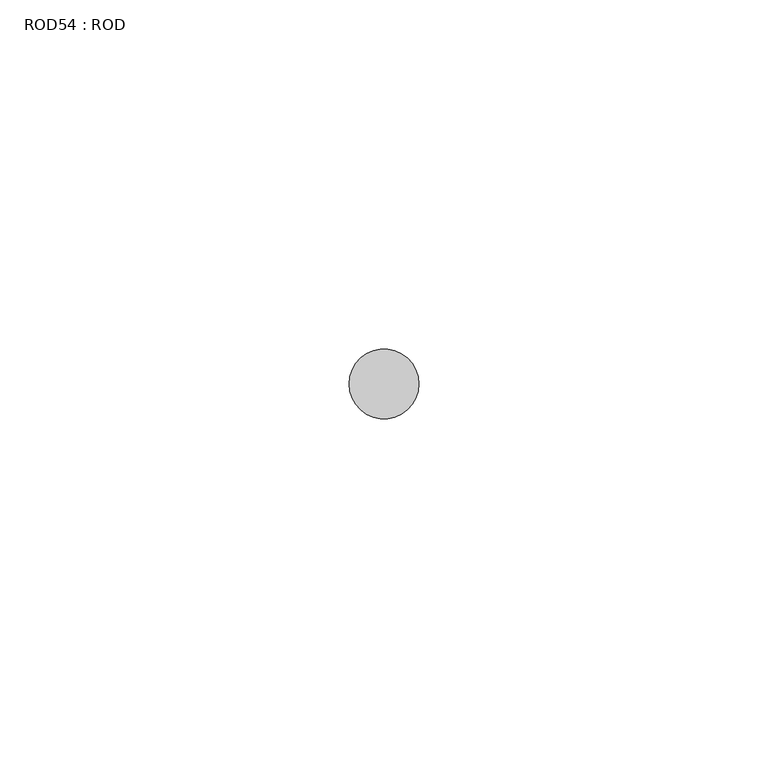
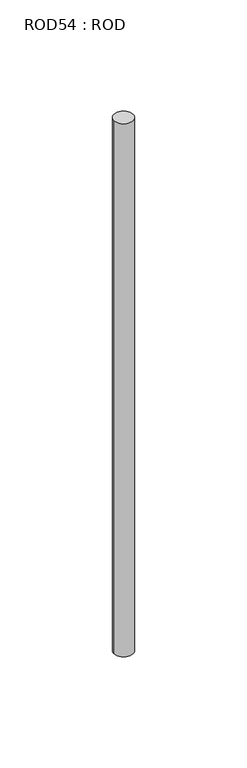
"""IFC4 building model written with IfcOpenShell, lengths in millimetres: proxy geometry, ROD54 : ROD."""

from ifc_helpers import new_model, si_unit, point, frame, frame_2d, origin, place, context, project, spatial, circle_curve, trimmed, segment, composite_curve, outline, extrude, source, transform, mapped, element, save


def rod54_rod_1561af2f(model_context):
    return source(origin(), model_context, "Body", "SweptSolid", [
        extrude(outline(composite_curve([segment(trimmed(circle_curve(frame_2d((6032.7784384, -1114.6300853)), 5.0), [point((6027.7784384, -1114.6300853))], [point((6037.7784384, -1114.6300853))], False, "CARTESIAN"), True, "CONTINUOUS"), segment(trimmed(circle_curve(frame_2d((6032.7784384, -1114.6300853)), 5.0), [point((6037.7784384, -1114.6300853))], [point((6027.7784384, -1114.6300853))], False, "CARTESIAN"), True, "CONTINUOUS")], self_intersect=False)), frame((0.0, 0.0, -208.6608845), z_axis=(0.0, 0.0, 1.0), x_axis=(1.0, 0.0, 0.0)), (0.0, 0.0, 1.0), 298.9028972),
    ])


if __name__ == "__main__":
    model = new_model("IFC4")
    model_context = context("Model", 3, world=origin())
    ifc_project = project(units=[si_unit("LENGTHUNIT", "METRE", prefix="MILLI")], contexts=[model_context])
    site = spatial("IfcSite", under=ifc_project)
    building = spatial("IfcBuilding", under=site)
    placement = place(None, origin())
    rod54_rod_shape = rod54_rod_1561af2f(model_context)
    element("IfcBuildingElementProxy", 1, Name="ROD54 : ROD", ObjectType="ROD54 : ROD", at=placement, inside=building, context=model_context, shape_type="MappedRepresentation", body=[
        mapped(rod54_rod_shape, transform((0.0, 0.0, 0.0), x_axis=(1.0, 0.0, 0.0), y_axis=(0.0, 1.0, 0.0), z_axis=(0.0, 0.0, 1.0))),
    ])
    save(model, "model.ifc")
